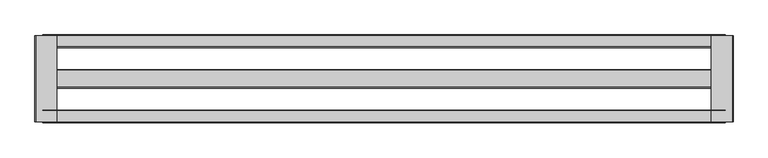
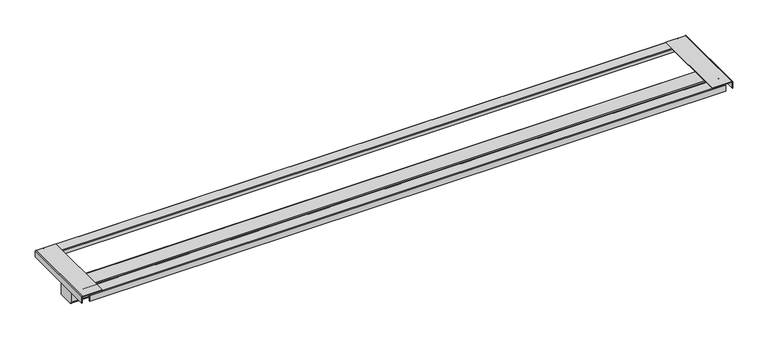
"""IFC4 building model written with IfcOpenShell, lengths in millimetres: proxy geometry."""

from ifc_helpers import new_model, si_unit, point, frame, frame_2d, origin, place, context, project, spatial, polyline, circle_curve, trimmed, segment, composite_curve, outline, extrude, source, transform, mapped, element, save


def specialty_equipment_c8ba9bf8(model_context):
    return source(origin(), model_context, "Body", "SweptSolid", [
        extrude(outline(composite_curve([segment(trimmed(circle_curve(frame_2d((250.3710963, 3056.9111588)), 1.0456412), [point((251.4167375, 3056.9111588))], [point((250.3710963, 3057.9568))], True, "CARTESIAN"), True, "CONTINUOUS"), segment(polyline([(250.3710963, 3057.9568), (216.9675311, 3057.9568)]), True, "CONTINUOUS"), segment(trimmed(circle_curve(frame_2d((216.9675311, 3057.1254064)), 0.8313936), [point((216.9675311, 3057.9568))], [point((216.1361375, 3057.1254064))], True, "CARTESIAN"), True, "CONTINUOUS"), segment(polyline([(216.1361375, 3057.1254064), (216.1361375, 3046.476), (214.9169375, 3046.476), (214.9169375, 3056.9623653)]), True, "CONTINUOUS"), segment(trimmed(circle_curve(frame_2d((217.1305722, 3056.9623653)), 2.2136347), [point((214.9169375, 3056.9623653))], [point((217.1305722, 3059.176))], False, "CARTESIAN"), True, "CONTINUOUS"), segment(polyline([(217.1305722, 3059.176), (250.5056994, 3059.176)]), True, "CONTINUOUS"), segment(trimmed(circle_curve(frame_2d((250.5056994, 3057.0457619)), 2.1302381), [point((250.5056994, 3059.176))], [point((252.6359375, 3057.0457619))], False, "CARTESIAN"), True, "CONTINUOUS"), segment(polyline([(252.6359375, 3057.0457619), (252.6359375, 3038.2837), (251.4167375, 3038.2837), (251.4167375, 3056.9111588)]), True, "CONTINUOUS")], self_intersect=False)), frame((-720.9381433, 0.0, 0.0), z_axis=(1.0, 0.0, 0.0), x_axis=(0.0, 1.0, 0.0)), (0.0, 0.0, 1.0), 2022.1423822),
        extrude(outline(composite_curve([segment(polyline([(28.7857375, 3046.476), (28.7857375, 3056.939757)]), True, "CONTINUOUS"), segment(trimmed(circle_curve(frame_2d((27.7686945, 3056.939757)), 1.017043), [point((28.7857375, 3056.939757))], [point((27.7686945, 3057.9568))], True, "CARTESIAN"), True, "CONTINUOUS"), segment(polyline([(27.7686945, 3057.9568), (-5.6179457, 3057.9568)]), True, "CONTINUOUS"), segment(trimmed(circle_curve(frame_2d((-5.6179457, 3057.0798832)), 0.8769168), [point((-5.6179457, 3057.9568))], [point((-6.4948625, 3057.0798832))], True, "CARTESIAN"), True, "CONTINUOUS"), segment(polyline([(-6.4948625, 3057.0798832), (-6.4948625, 3038.2837), (-7.7140625, 3038.2837), (-7.7140625, 3057.0872847)]), True, "CONTINUOUS"), segment(trimmed(circle_curve(frame_2d((-5.6253472, 3057.0872847)), 2.0887153), [point((-7.7140625, 3057.0872847))], [point((-5.6253472, 3059.176))], False, "CARTESIAN"), True, "CONTINUOUS"), segment(polyline([(-5.6253472, 3059.176), (27.8200722, 3059.176)]), True, "CONTINUOUS"), segment(trimmed(circle_curve(frame_2d((27.8200722, 3056.9911347)), 2.1848653), [point((27.8200722, 3059.176))], [point((30.0049375, 3056.9911347))], False, "CARTESIAN"), True, "CONTINUOUS"), segment(polyline([(30.0049375, 3056.9911347), (30.0049375, 3046.476), (28.7857375, 3046.476)]), True, "CONTINUOUS")], self_intersect=False)), frame((-720.9381433, 0.0, 0.0), z_axis=(1.0, 0.0, 0.0), x_axis=(0.0, 1.0, 0.0)), (0.0, 0.0, 1.0), 2022.1423822),
        extrude(outline(composite_curve([segment(trimmed(circle_curve(frame_2d((145.976614, 2970.0470435)), 3.9112435), [point((149.8878575, 2970.0470435))], [point((145.976614, 2966.1358))], False, "CARTESIAN"), True, "CONTINUOUS"), segment(polyline([(145.976614, 2966.1358), (100.2545068, 2966.1358)]), True, "CONTINUOUS"), segment(trimmed(circle_curve(frame_2d((100.2545068, 2971.3562893)), 5.2204893), [point((100.2545068, 2966.1358))], [point((95.0340175, 2971.3562893))], False, "CARTESIAN"), True, "CONTINUOUS"), segment(polyline([(95.0340175, 2971.3562893), (95.0340175, 3007.4598892)]), True, "CONTINUOUS"), segment(trimmed(circle_curve(frame_2d((97.4741283, 3007.4598892)), 2.4401108), [point((95.0340175, 3007.4598892))], [point((97.4741283, 3009.9))], False, "CARTESIAN"), True, "CONTINUOUS"), segment(polyline([(97.4741283, 3009.9), (147.3816271, 3009.9)]), True, "CONTINUOUS"), segment(trimmed(circle_curve(frame_2d((147.3816271, 3007.3937696)), 2.5062304), [point((147.3816271, 3009.9))], [point((149.8878575, 3007.3937696))], False, "CARTESIAN"), True, "CONTINUOUS"), segment(polyline([(149.8878575, 3007.3937696), (149.8878575, 2970.0470435)]), True, "CONTINUOUS")], self_intersect=False)), frame((-720.9381433, 0.0, 0.0), z_axis=(1.0, 0.0, 0.0), x_axis=(0.0, 1.0, 0.0)), (0.0, 0.0, 1.0), 2022.1423822),
        extrude(outline(composite_curve([segment(trimmed(circle_curve(frame_2d((3058.0375326, -742.0766847)), 1.0749674), [point((3058.0375326, -743.1516522))], [point((3059.1125, -742.0766847))], True, "CARTESIAN"), True, "CONTINUOUS"), segment(polyline([(3059.1125, -742.0766847), (3059.1125, -679.6516522), (3060.7, -679.6516522), (3060.7, -742.1329018)]), True, "CONTINUOUS"), segment(trimmed(circle_curve(frame_2d((3058.0937496, -742.1329018)), 2.6062504), [point((3060.7, -742.1329018))], [point((3058.0937496, -744.7391522))], False, "CARTESIAN"), True, "CONTINUOUS"), segment(polyline([(3058.0937496, -744.7391522), (3038.475, -744.7391522), (3038.475, -743.1516522), (3058.0375326, -743.1516522)]), True, "CONTINUOUS")], self_intersect=False)), frame((0.0, -5.5390625, 0.0), z_axis=(0.0, 1.0, 0.0), x_axis=(0.0, 0.0, 1.0)), (0.0, 0.0, 1.0), 256.0000001),
        extrude(outline(composite_curve([segment(trimmed(circle_curve(frame_2d((3058.3509434, 1322.6561913)), 0.7615566), [point((3059.1125, 1322.6561913))], [point((3058.3509434, 1323.4177478))], True, "CARTESIAN"), True, "CONTINUOUS"), segment(polyline([(3058.3509434, 1323.4177478), (3038.475, 1323.4177478), (3038.475, 1325.0052478), (3058.4519064, 1325.0052478)]), True, "CONTINUOUS"), segment(trimmed(circle_curve(frame_2d((3058.4519064, 1322.7571542)), 2.2480936), [point((3058.4519064, 1325.0052478))], [point((3060.7, 1322.7571542))], False, "CARTESIAN"), True, "CONTINUOUS"), segment(polyline([(3060.7, 1322.7571542), (3060.7, 1259.9177478), (3059.1125, 1259.9177478), (3059.1125, 1322.6561913)]), True, "CONTINUOUS")], self_intersect=False)), frame((0.0, -5.5390625, 0.0), z_axis=(0.0, 1.0, 0.0), x_axis=(0.0, 0.0, 1.0)), (0.0, 0.0, 1.0), 256.0000001),
    ])


if __name__ == "__main__":
    model = new_model("IFC4")
    model_context = context("Model", 3, world=origin())
    ifc_project = project(units=[si_unit("LENGTHUNIT", "METRE", prefix="MILLI")], contexts=[model_context])
    site = spatial("IfcSite", under=ifc_project)
    building = spatial("IfcBuilding", under=site)
    placement = place(None, origin())
    specialty_equipment_shape = specialty_equipment_c8ba9bf8(model_context)
    element("IfcBuildingElementProxy", 1, Name="Specialty Equipment", at=placement, inside=building, context=model_context, shape_type="MappedRepresentation", body=[
        mapped(specialty_equipment_shape, transform((0.0, 0.0, 0.0), x_axis=(1.0, 0.0, 0.0), y_axis=(0.0, 1.0, 0.0), z_axis=(0.0, 0.0, 1.0))),
    ])
    save(model, "model.ifc")
